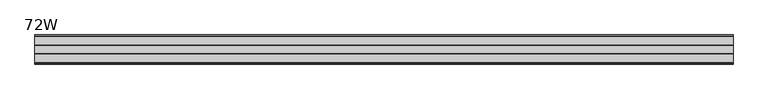
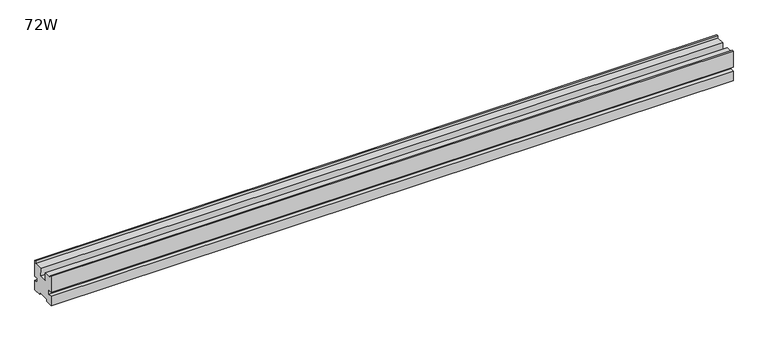
"""IFC4 building model written with IfcOpenShell, lengths in millimetres: furniture geometry, 72W."""

from ifc_helpers import new_model, si_unit, frame, origin, place, context, project, spatial, polyline, outline, extrude, source, transform, mapped, element, save


def furniture_72w_b441aec3(model_context):
    return source(origin(), model_context, "Body", "SweptSolid", [
        extrude(outline(polyline([(-38.1, 0.0), (-34.2899991, 0.0), (-33.7344462, -6.3500002), (-10.7949999, -6.3500002), (-10.4775002, -27.1779991), (10.4775002, -27.1779991), (10.7949999, -6.3500002), (33.7344462, -6.3500002), (34.2899991, 0.0), (38.1, 0.0), (38.1, -45.3009004), (27.2542004, -45.3009004), (27.2542004, -56.2990981), (38.1, -56.2990981), (38.1, -83.6930019), (15.9893004, -83.6930019), (15.9893004, -77.3429989), (-15.9893004, -77.3429989), (-15.9893004, -83.6930019), (-38.1, -83.6930019), (-38.1, -56.2990981), (-27.2542004, -56.2990981), (-27.2542004, -45.3009004), (-38.1, -45.3009004), (-38.1, 0.0)])), frame((0.0, 0.0, 0.0), z_axis=(1.0, 0.0, 0.0), x_axis=(0.0, 1.0, 0.0)), (0.0, 0.0, 1.0), 1828.8),
    ])


if __name__ == "__main__":
    model = new_model("IFC4")
    model_context = context("Model", 3, world=origin())
    ifc_project = project(units=[si_unit("LENGTHUNIT", "METRE", prefix="MILLI")], contexts=[model_context])
    site = spatial("IfcSite", under=ifc_project)
    building = spatial("IfcBuilding", under=site)
    placement = place(None, origin())
    furniture_72w_shape = furniture_72w_b441aec3(model_context)
    element("IfcFurniture", 1, ObjectType="72W", at=placement, inside=building, context=model_context, shape_type="MappedRepresentation", body=[
        mapped(furniture_72w_shape, transform((0.0, 0.0, 0.0), x_axis=(1.0, 0.0, 0.0), y_axis=(0.0, 1.0, 0.0), z_axis=(0.0, 0.0, 1.0))),
    ])
    save(model, "model.ifc")
